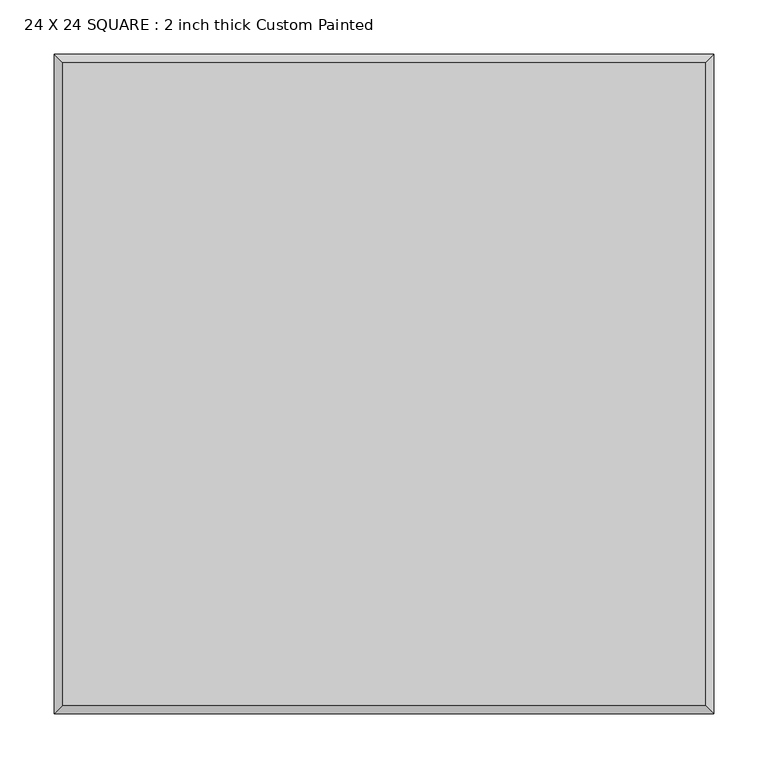
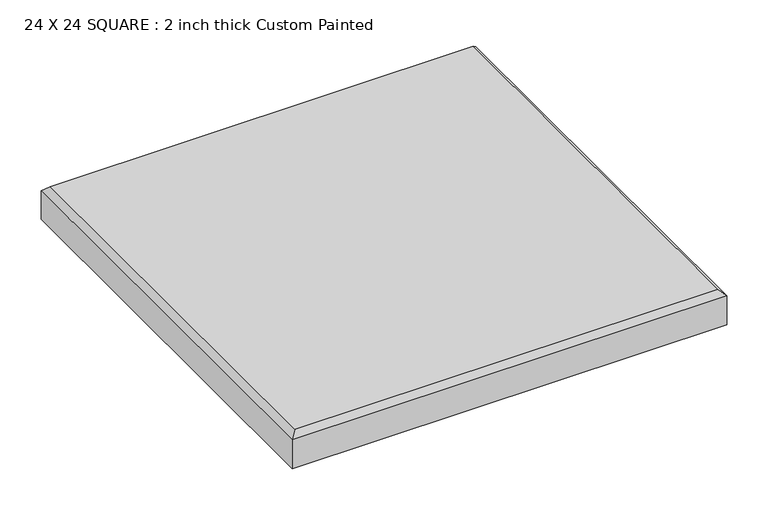
"""IFC4 building model written with IfcOpenShell, lengths in millimetres: proxy geometry, 24 X 24 SQUARE : 2 inch thick Custom Painted."""

from ifc_helpers import new_model, si_unit, origin, place, context, project, spatial, faceted_brep, source, transform, mapped, element, save


def proxy_24_x_24_square_2_inch_thick_custom_painted_8fe66a8b(model_context):
    return source(origin(), model_context, "Body", "Brep", [
        faceted_brep([(296.799, 296.799, 50.8), (-296.799, 296.799, 50.8), (-296.799, -296.799, 50.8), (296.799, -296.799, 50.8), (-304.8, 304.8, 0.0), (304.8, 304.8, 0.0), (304.8, -304.8, 0.0), (-304.8, -304.8, 0.0), (-304.8, -304.8, 42.799), (-304.8, 304.8, 42.799), (304.8, -304.8, 42.799), (304.8, 304.8, 42.799)], [[[0, 1, 2, 3]], [[4, 5, 6, 7]], [[4, 7, 8, 9]], [[7, 6, 10, 8]], [[6, 5, 11, 10]], [[5, 4, 9, 11]], [[9, 1, 0, 11]], [[1, 9, 8, 2]], [[2, 8, 10, 3]], [[11, 0, 3, 10]]]),
    ])


if __name__ == "__main__":
    model = new_model("IFC4")
    model_context = context("Model", 3, world=origin())
    ifc_project = project(units=[si_unit("LENGTHUNIT", "METRE", prefix="MILLI")], contexts=[model_context])
    site = spatial("IfcSite", under=ifc_project)
    building = spatial("IfcBuilding", under=site)
    placement = place(None, origin())
    proxy_24_x_24_square_2_inch_thick_custom_painted_shape = proxy_24_x_24_square_2_inch_thick_custom_painted_8fe66a8b(model_context)
    element("IfcBuildingElementProxy", 1, Name="24 X 24 SQUARE : 2 inch thick Custom Painted", ObjectType="24 X 24 SQUARE : 2 inch thick Custom Painted", at=placement, inside=building, context=model_context, shape_type="MappedRepresentation", body=[
        mapped(proxy_24_x_24_square_2_inch_thick_custom_painted_shape, transform((0.0, 0.0, 0.0), x_axis=(1.0, 0.0, 0.0), y_axis=(0.0, 1.0, 0.0), z_axis=(0.0, 0.0, 1.0))),
    ])
    save(model, "model.ifc")
